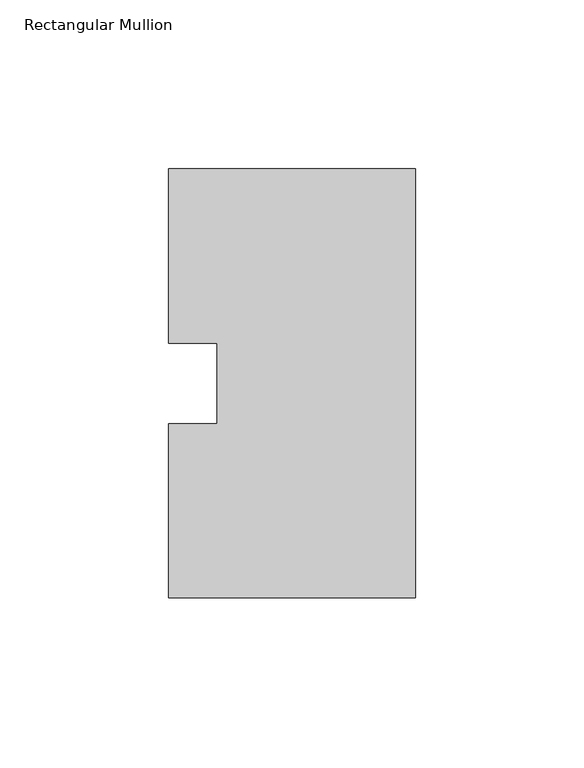
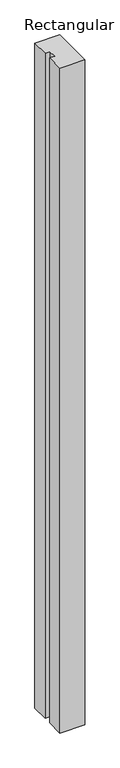
"""IFC4 building model written with IfcOpenShell, lengths in millimetres: member geometry, Rectangular Mullion."""

from ifc_helpers import new_model, si_unit, frame, origin, place, context, project, spatial, polyline, outline, extrude, source, transform, mapped, element, save


def rectangular_mullion_19cbfa88(model_context):
    return source(origin(), model_context, "Body", "SweptSolid", [
        extrude(outline(polyline([(0.0, 127.00635), (0.0, 0.00635), (-73.025, 0.00635), (-73.025, 51.60645), (-58.7375, 51.60645), (-58.7375, 75.40625), (-73.025, 75.40625), (-73.025, 127.00635), (0.0, 127.00635)])), frame((0.0, 0.0, -2057.4), z_axis=(0.0, 0.0, 1.0), x_axis=(1.0, 0.0, 0.0)), (0.0, 0.0, 1.0), 2057.4),
    ])


if __name__ == "__main__":
    model = new_model("IFC4")
    model_context = context("Model", 3, world=origin())
    ifc_project = project(units=[si_unit("LENGTHUNIT", "METRE", prefix="MILLI")], contexts=[model_context])
    site = spatial("IfcSite", under=ifc_project)
    building = spatial("IfcBuilding", under=site)
    placement = place(None, origin())
    rectangular_mullion_shape = rectangular_mullion_19cbfa88(model_context)
    element("IfcMember", 1, ObjectType="Rectangular Mullion", at=placement, inside=building, context=model_context, shape_type="MappedRepresentation", body=[
        mapped(rectangular_mullion_shape, transform((0.0, 0.0, 0.0), x_axis=(1.0, 0.0, 0.0), y_axis=(0.0, 1.0, 0.0), z_axis=(0.0, 0.0, 1.0))),
    ])
    save(model, "model.ifc")
